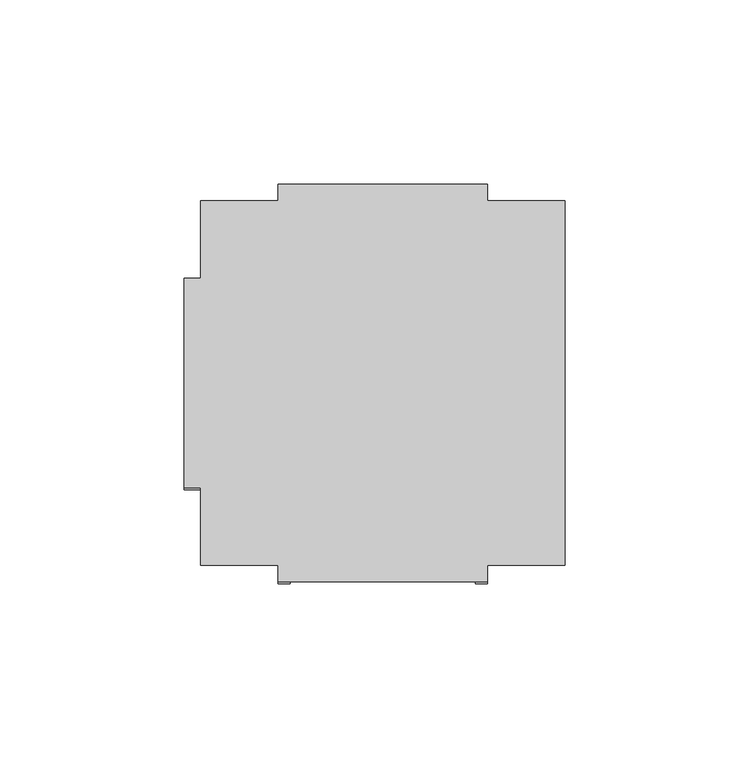
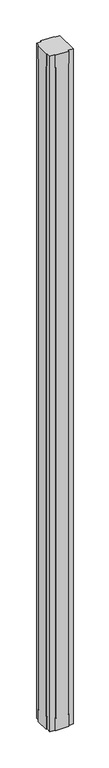
"""IFC4 building model written with IfcOpenShell, lengths in millimetres: furniture geometry."""

import ifcopenshell
import ifcopenshell.guid

model = None  # the IFC model being written
_history = None  # IfcOwnerHistory: only IFC2X3 demands one
_inside = {}  # id of a spatial element -> (the spatial element, [elements in it])
_under = {}  # id of a project, library or spatial element -> (it, [spatial elements below it])
_declared = {}  # id of a project -> (the project, [libraries it declares])
_typed = {}  # id of a type object -> (the type object, [elements of that type])
_made_of = {}  # id of a material, layer set ... -> (it, [elements and type objects made of it])


def new_model(schema):
    """Start an empty IFC model of exactly this schema.

    Asked for "IFC4X3", IfcOpenShell would pick the latest addendum, in which some entities
    have other attributes; the version numbers below select the first issue.
    IFC2X3 requires an IfcOwnerHistory on every rooted entity: one is made here for all.
    """
    global model, _history
    if schema == "IFC4X3":
        model = ifcopenshell.file(schema_version=(4, 3, 0, 0))
    else:
        model = ifcopenshell.file(schema=schema)
    _inside.clear()
    _under.clear()
    _declared.clear()
    _typed.clear()
    _made_of.clear()
    _history = None
    if model.schema == "IFC2X3":
        org = make("IfcOrganization", Name="unknown")
        user = make(
            "IfcPersonAndOrganization",
            ThePerson=make("IfcPerson", FamilyName="unknown"),
            TheOrganization=org,
        )
        app = make(
            "IfcApplication",
            ApplicationDeveloper=org,
            Version="unknown",
            ApplicationFullName="unknown",
            ApplicationIdentifier="unknown",
        )
        _history = make(
            "IfcOwnerHistory",
            OwningUser=user,
            OwningApplication=app,
            ChangeAction="ADDED",
            CreationDate=0,
        )
    return model


def make(cls, **values):
    """One entity of the class cls with the attributes given. An attribute that is None is left unset."""
    return model.create_entity(
        cls, **{name: value for name, value in values.items() if value is not None}
    )


def rooted(cls, **values):
    """An entity with a GlobalId (a new one), such as an element, a storey or a relation."""
    return make(cls, GlobalId=ifcopenshell.guid.new(), OwnerHistory=_history, **values)


def si_unit(unit_type, name, prefix=None):
    """IfcSIUnit, for example si_unit("LENGTHUNIT", "METRE", prefix="MILLI")."""
    return make("IfcSIUnit", UnitType=unit_type, Prefix=prefix, Name=name)


def assignment(units):
    """IfcUnitAssignment: the units of a project."""
    return None if units is None else make("IfcUnitAssignment", Units=units)


def point(xyz):
    """IfcCartesianPoint."""
    return None if xyz is None else make("IfcCartesianPoint", Coordinates=xyz)


def direction(xyz):
    """IfcDirection."""
    return None if xyz is None else make("IfcDirection", DirectionRatios=xyz)


def frame(location, z_axis=None, x_axis=None):
    """IfcAxis2Placement3D, a coordinate frame: its origin and axes. An axis left out is left unset."""
    return make(
        "IfcAxis2Placement3D",
        Location=point(location),
        Axis=direction(z_axis),
        RefDirection=direction(x_axis),
    )


def origin():
    """The frame at (0, 0, 0) with its axes left unset."""
    return frame((0.0, 0.0, 0.0))


def place(relative_to, where):
    """IfcLocalPlacement: puts the frame where relative to a parent placement (None: the world)."""
    return make(
        "IfcLocalPlacement", PlacementRelTo=relative_to, RelativePlacement=where
    )


def context(
    kind, dimensions, precision=None, world=None, true_north=None, identifier=None
):
    """IfcGeometricRepresentationContext, for example the 3D "Model" context."""
    return make(
        "IfcGeometricRepresentationContext",
        ContextIdentifier=identifier,
        ContextType=kind,
        CoordinateSpaceDimension=dimensions,
        Precision=precision,
        WorldCoordinateSystem=world,
        TrueNorth=true_north,
    )


def project(units=None, contexts=None):
    """IfcProject with its units and contexts."""
    return rooted(
        "IfcProject",
        Name="project",
        RepresentationContexts=contexts,
        UnitsInContext=assignment(units),
    )


def spatial(cls, under=None, at=None, **own):
    """A site, building, storey or space (cls), placed at a placement, below another one or the project."""
    s = rooted(cls, ObjectPlacement=at, **own)
    if under is not None:
        _under.setdefault(under.id(), (under, []))[1].append(s)
    return s


def faces_of(points, faces, orient=None, outer=None):
    """IfcFace entities. A face is a list of loops; a loop is a list of indices into points, from 0.

    orient and outer hold one flag for each loop. By default every Orientation is true, the
    first loop of a face is its IfcFaceOuterBound and the others are IfcFaceBound.
    """
    made = []
    for i, loops in enumerate(faces):
        bounds = []
        for j, loop in enumerate(loops):
            is_outer = j == 0 if outer is None else outer[i][j]
            bounds.append(
                make(
                    "IfcFaceOuterBound" if is_outer else "IfcFaceBound",
                    Bound=make("IfcPolyLoop", Polygon=[points[k] for k in loop]),
                    Orientation=True if orient is None else orient[i][j],
                )
            )
        made.append(make("IfcFace", Bounds=bounds))
    return made


def faceted_brep(points, faces, orient=None, outer=None, voids=None):
    """IfcFacetedBrep: a solid bounded by flat faces; with voids (closed shells), ...WithVoids."""
    shared = [point(p) for p in points]
    hull = make("IfcClosedShell", CfsFaces=faces_of(shared, faces, orient, outer))
    if voids is None:
        return make("IfcFacetedBrep", Outer=hull)
    return make(
        "IfcFacetedBrepWithVoids",
        Outer=hull,
        Voids=[
            make(cls, CfsFaces=faces_of(shared, fs, o, b)) for cls, fs, o, b in voids
        ],
    )


def shape(context_of_items, identifier, shape_type, items):
    """IfcShapeRepresentation: the items that make up one representation, for example the "Body"."""
    return make(
        "IfcShapeRepresentation",
        ContextOfItems=context_of_items,
        RepresentationIdentifier=identifier,
        RepresentationType=shape_type,
        Items=items,
    )


def source(mapping_origin, context_of_items, identifier, shape_type, items):
    """IfcRepresentationMap: a shape defined once, which mapped items show again and again."""
    return make(
        "IfcRepresentationMap",
        MappingOrigin=mapping_origin,
        MappedRepresentation=shape(context_of_items, identifier, shape_type, items),
    )


def transform(
    local_origin,
    x_axis=None,
    y_axis=None,
    z_axis=None,
    scale=None,
    scale2=None,
    scale3=None,
    uniform=True,
):
    """IfcCartesianTransformationOperator3D, or its non-uniform kind. x_axis, y_axis, z_axis: its Axis1, 2, 3."""
    if uniform:
        return make(
            "IfcCartesianTransformationOperator3D",
            Axis1=direction(x_axis),
            Axis2=direction(y_axis),
            LocalOrigin=point(local_origin),
            Scale=scale,
            Axis3=direction(z_axis),
        )
    return make(
        "IfcCartesianTransformationOperator3DnonUniform",
        Axis1=direction(x_axis),
        Axis2=direction(y_axis),
        LocalOrigin=point(local_origin),
        Scale=scale,
        Axis3=direction(z_axis),
        Scale2=scale2,
        Scale3=scale3,
    )


def mapped(mapping_source, mapping_target):
    """IfcMappedItem: shows the shape of a source again, moved by a transform."""
    return make(
        "IfcMappedItem", MappingSource=mapping_source, MappingTarget=mapping_target
    )


def made_of(thing, what):
    """Note that an element or type object is made of a material, layer set ...; save() writes the relation."""
    if what is not None:
        _made_of.setdefault(what.id(), (what, []))[1].append(thing)
    return thing


def element(
    cls,
    number,
    at=None,
    inside=None,
    cuts=None,
    type_object=None,
    material=None,
    context=None,
    identifier="Body",
    shape_type=None,
    held_by="IfcProductDefinitionShape",
    body=None,
    shapes=None,
    **own,
):
    """One element of the class cls, such as IfcWall. Its Tag is "e" and its number.

    at: its placement. inside: the storey or other place that contains it. cuts: it is an
    opening in that element (IfcRelVoidsElement). A single representation is given by context,
    identifier, shape_type and body (its items); several are given by shapes. held_by: the class
    of the entity that holds the representations. save() writes the other relations.
    """
    e = rooted(cls, Tag="e%d" % number, ObjectPlacement=at, **own)
    if body is not None:
        shapes = [shape(context, identifier, shape_type, body)]
    if shapes is not None:
        e.Representation = make(held_by, Representations=shapes)
    if inside is not None:
        _inside.setdefault(inside.id(), (inside, []))[1].append(e)
    if cuts is not None:
        rooted(
            "IfcRelVoidsElement", RelatingBuildingElement=cuts, RelatedOpeningElement=e
        )
    if type_object is not None:
        _typed.setdefault(type_object.id(), (type_object, []))[1].append(e)
    return made_of(e, material)


def aggregate(whole, parts):
    """IfcRelAggregates: a whole, such as a stair, and the parts it consists of."""
    return rooted("IfcRelAggregates", RelatingObject=whole, RelatedObjects=parts)


def save(model, path):
    """Write the relations noted so far, then the file.

    IfcRelAggregates (storeys below a building ...), IfcRelContainedInSpatialStructure (elements
    in a storey), IfcRelDefinesByType, IfcRelAssociatesMaterial and IfcRelDeclares: one each for
    every whole, place, type object, material and project.
    """
    for whole, parts in _under.values():
        aggregate(whole, parts)
    for where, things in _inside.values():
        rooted(
            "IfcRelContainedInSpatialStructure",
            RelatedElements=things,
            RelatingStructure=where,
        )
    for kind, things in _typed.values():
        rooted("IfcRelDefinesByType", RelatedObjects=things, RelatingType=kind)
    for what, things in _made_of.values():
        rooted("IfcRelAssociatesMaterial", RelatedObjects=things, RelatingMaterial=what)
    for by, libraries in _declared.values():
        rooted("IfcRelDeclares", RelatingContext=by, RelatedDefinitions=libraries)
    model.write(path)


def furniture_bf0fb144(model_context):
    return source(origin(), model_context, "Body", "Brep", [
        faceted_brep([(0.0, -736.854, 55.118), (0.0, -733.552, 55.118), (0.0, -733.552, 0.0), (0.0, -790.448, 0.0), (0.0, -790.448, 55.118), (0.0, -787.146, 55.118), (0.0, -787.146, 2992.882), (0.0, -790.448, 2992.882), (0.0, -790.448, 3048.0), (0.0, -733.552, 3048.0), (0.0, -733.552, 2992.882), (0.0, -736.854, 2992.882), (4.4958, -736.854, 2992.882), (4.4958, -736.854, 55.118), (4.4958, -733.552, 2992.882), (4.4958, -733.552, 3048.0), (4.4958, -790.448, 3048.0), (4.4958, -811.4792, 3048.0), (25.527, -811.4792, 3048.0), (25.527, -815.975, 3048.0), (82.423, -815.975, 3048.0), (82.423, -811.4792, 3048.0), (103.4542, -811.4792, 3048.0), (103.4542, -712.5208, 3048.0), (82.423, -712.5208, 3048.0), (82.423, -708.025, 3048.0), (25.527, -708.025, 3048.0), (25.527, -712.5208, 3048.0), (4.4958, -712.5208, 3048.0), (4.4958, -790.448, 2992.882), (4.4958, -787.146, 2992.882), (4.4958, -787.146, 55.118), (4.4958, -790.448, 55.118), (4.4958, -790.448, 0.0), (4.4958, -733.552, 0.0), (4.4958, -712.5208, 0.0), (25.527, -712.5208, 0.0), (25.527, -708.025, 0.0), (82.423, -708.025, 0.0), (82.423, -712.5208, 0.0), (103.4542, -712.5208, 0.0), (103.4542, -811.4792, 0.0), (82.423, -811.4792, 0.0), (82.423, -815.975, 0.0), (25.527, -815.975, 0.0), (25.527, -811.4792, 0.0), (4.4958, -811.4792, 0.0), (4.4958, -733.552, 55.118), (82.423, -712.5208, 55.118), (79.121, -712.5208, 55.118), (79.121, -712.5208, 2992.882), (82.423, -712.5208, 2992.882), (25.527, -712.5208, 2992.882), (28.829, -712.5208, 2992.882), (28.829, -712.5208, 55.118), (25.527, -712.5208, 55.118), (25.527, -811.4792, 55.118), (28.829, -811.4792, 55.118), (28.829, -811.4792, 2992.882), (25.527, -811.4792, 2992.882), (82.423, -811.4792, 2992.882), (79.121, -811.4792, 2992.882), (79.121, -811.4792, 55.118), (82.423, -811.4792, 55.118), (79.121, -708.025, 55.118), (82.423, -708.025, 55.118), (25.527, -708.025, 55.118), (28.829, -708.025, 55.118), (28.829, -708.025, 2992.882), (25.527, -708.025, 2992.882), (82.423, -708.025, 2992.882), (79.121, -708.025, 2992.882), (79.121, -815.975, 55.118), (79.121, -815.975, 2992.882), (82.423, -815.975, 2992.882), (25.527, -815.975, 2992.882), (28.829, -815.975, 2992.882), (28.829, -815.975, 55.118), (25.527, -815.975, 55.118), (82.423, -815.975, 55.118)], [[[0, 1, 2, 3, 4, 5, 6, 7, 8, 9, 10, 11]], [[0, 11, 12, 13]], [[11, 10, 14, 12]], [[10, 9, 15, 14]], [[9, 8, 16, 17, 18, 19, 20, 21, 22, 23, 24, 25, 26, 27, 28, 15]], [[8, 7, 29, 16]], [[7, 6, 30, 29]], [[6, 5, 31, 30]], [[5, 4, 32, 31]], [[4, 3, 33, 32]], [[3, 2, 34, 35, 36, 37, 38, 39, 40, 41, 42, 43, 44, 45, 46, 33]], [[2, 1, 47, 34]], [[1, 0, 13, 47]], [[23, 40, 39, 48, 49, 50, 51, 24]], [[35, 28, 27, 52, 53, 54, 55, 36]], [[28, 35, 34, 47, 13, 12, 14, 15]], [[46, 17, 16, 29, 30, 31, 32, 33]], [[17, 46, 45, 56, 57, 58, 59, 18]], [[41, 22, 21, 60, 61, 62, 63, 42]], [[23, 22, 41, 40]], [[64, 65, 38, 37, 66, 67, 68, 69, 26, 25, 70, 71]], [[72, 73, 74, 20, 19, 75, 76, 77, 78, 44, 43, 79]], [[64, 71, 50, 49]], [[73, 72, 62, 61]], [[71, 70, 51, 50]], [[74, 73, 61, 60]], [[70, 25, 24, 51]], [[20, 74, 60, 21]], [[26, 69, 52, 27]], [[75, 19, 18, 59]], [[69, 68, 53, 52]], [[76, 75, 59, 58]], [[68, 67, 54, 53]], [[77, 76, 58, 57]], [[67, 66, 55, 54]], [[78, 77, 57, 56]], [[66, 37, 36, 55]], [[44, 78, 56, 45]], [[38, 65, 48, 39]], [[79, 43, 42, 63]], [[65, 64, 49, 48]], [[72, 79, 63, 62]]]),
    ])


if __name__ == "__main__":
    model = new_model("IFC4")
    model_context = context("Model", 3, world=origin())
    ifc_project = project(units=[si_unit("LENGTHUNIT", "METRE", prefix="MILLI")], contexts=[model_context])
    site = spatial("IfcSite", under=ifc_project)
    building = spatial("IfcBuilding", under=site)
    placement = place(None, origin())
    furniture_shape = furniture_bf0fb144(model_context)
    element("IfcFurniture", 1, at=placement, inside=building, context=model_context, shape_type="MappedRepresentation", body=[
        mapped(furniture_shape, transform((0.0, 0.0, 0.0), x_axis=(1.0, 0.0, 0.0), y_axis=(0.0, 1.0, 0.0), z_axis=(0.0, 0.0, 1.0))),
    ])
    save(model, "model.ifc")
